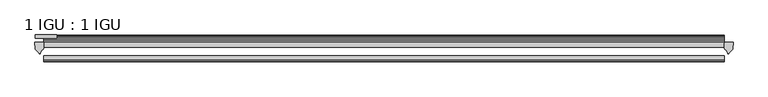
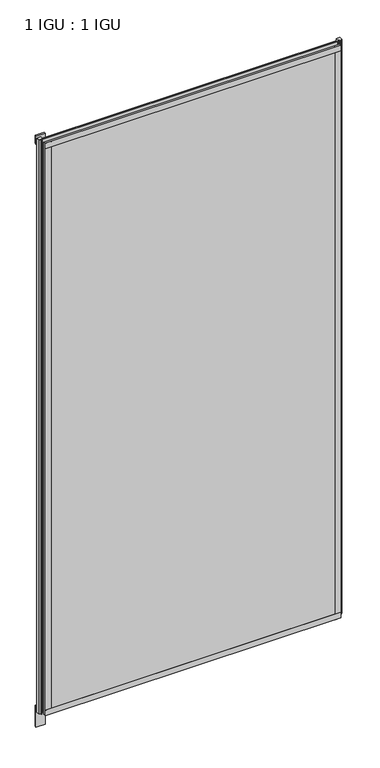
"""IFC4 building model written with IfcOpenShell, lengths in millimetres: plate geometry, 1 IGU : 1 IGU."""

from ifc_helpers import new_model, si_unit, point, frame, frame_2d, origin, place, context, project, spatial, polyline, circle_curve, trimmed, segment, composite_curve, outline, extrude, source, transform, mapped, element, save


def plate_1_igu_1_igu_eb8287d7(model_context):
    return source(origin(), model_context, "Body", "SweptSolid", [
        extrude(outline(polyline([(397.3691094, -11.6085937), (397.3691094, -18.8576359), (-599.5769219, -18.8576359), (-599.5769219, -11.6085937), (397.3691094, -11.6085937)])), frame((0.0, 0.0, -19.05), z_axis=(0.0, 0.0, 1.0), x_axis=(1.0, 0.0, 0.0)), (0.0, 0.0, 1.0), 2038.3500001),
        extrude(outline(polyline([(-599.5769219, -30.7093937), (397.3691094, -30.7093937), (397.3691094, -37.0085937), (-599.5769219, -37.0085937), (-599.5769219, -30.7093937)])), frame((0.0, 0.0, -19.05), z_axis=(0.0, 0.0, 1.0), x_axis=(1.0, 0.0, 0.0)), (0.0, 0.0, 1.0), 2038.3500001),
        extrude(outline(polyline([(-580.5269219, -5.3578125), (-612.2769219, -5.3578125), (-612.2769219, -0.4960938), (-580.5269219, -0.4960938), (-580.5269219, -5.3578125)])), frame((0.0, 0.0, -76.2), z_axis=(0.0, 0.0, 1.0), x_axis=(1.0, 0.0, 0.0)), (0.0, 0.0, 1.0), 76.2),
        extrude(outline(polyline([(-612.2769219, -5.3578125), (-612.2769219, -0.4960938), (-580.5269219, -0.4960938), (-580.5269219, -5.3578125), (-612.2769219, -5.3578125)])), frame((0.0, 0.0, 2000.2500001), z_axis=(0.0, 0.0, 1.0), x_axis=(1.0, 0.0, 0.0)), (0.0, 0.0, 1.0), 28.575),
        extrude(outline(composite_curve([segment(polyline([(410.4470185, -11.6101465), (410.0691094, -21.3502133), (404.1310561, -27.6095865)]), True, "CONTINUOUS"), segment(trimmed(circle_curve(frame_2d((403.45825, -27.2518492)), 0.762), [point((404.1310561, -27.6095865))], [point((402.7295458, -27.4746364))], False, "CARTESIAN"), True, "CONTINUOUS"), segment(polyline([(402.7295458, -27.4746364), (401.4677113, -23.3488397)]), True, "CONTINUOUS"), segment(trimmed(circle_curve(frame_2d((403.6496684, -16.3834724)), 7.2991286), [point((401.4677113, -23.3488397))], [point((397.369288, -20.1028944))], False, "CARTESIAN"), True, "CONTINUOUS"), segment(polyline([(397.369288, -20.1028944), (397.369288, -12.664425)]), True, "CONTINUOUS"), segment(trimmed(circle_curve(frame_2d((403.6505425, -16.3827796)), 7.2993369), [point((397.369288, -12.664425))], [point((398.1276544, -11.6101465))], False, "CARTESIAN"), True, "CONTINUOUS"), segment(polyline([(398.1276544, -11.6101465), (410.4470185, -11.6101465)]), True, "CONTINUOUS")], self_intersect=False)), frame((0.0, 0.0, -19.05), z_axis=(0.0, 0.0, 1.0), x_axis=(1.0, 0.0, 0.0)), (0.0, 0.0, 1.0), 2045.4874001),
        extrude(outline(composite_curve([segment(polyline([(-599.5769219, -11.610702), (-599.5769219, -20.1014769)]), True, "CONTINUOUS"), segment(trimmed(circle_curve(frame_2d((-605.8581162, -16.3829847)), 7.2993552), [point((-599.5769219, -20.1014769))], [point((-603.6758716, -23.3484994))], False, "CARTESIAN"), True, "CONTINUOUS"), segment(polyline([(-603.6758716, -23.3484994), (-604.9373583, -27.4746364)]), True, "CONTINUOUS"), segment(trimmed(circle_curve(frame_2d((-605.6660625, -27.2518492)), 0.762), [point((-604.9373583, -27.4746364))], [point((-606.3388686, -27.6095865))], False, "CARTESIAN"), True, "CONTINUOUS"), segment(polyline([(-606.3388686, -27.6095865), (-612.2769219, -21.3502133), (-612.654831, -11.610702), (-599.5769219, -11.610702)]), True, "CONTINUOUS")], self_intersect=False)), frame((0.0, 0.0, -19.05), z_axis=(0.0, 0.0, 1.0), x_axis=(1.0, 0.0, 0.0)), (0.0, 0.0, 1.0), 2045.4874001),
        extrude(outline(polyline([(-11.6085937, -15.24), (-11.6085937, 2.8161565), (-0.5298609, 1.2591422), (-0.5298609, -0.6645794), (-5.258589, 0.0), (-5.258589, -4.826), (-1.575589, -4.826), (-1.575589, -7.874), (-5.258589, -7.874), (-5.258589, -13.208), (-3.099589, -13.208), (-3.099589, -15.24), (-11.6085937, -15.24)])), frame((-599.5769219, 0.0, 0.0), z_axis=(1.0, 0.0, 0.0), x_axis=(0.0, 1.0, 0.0)), (0.0, 0.0, 1.0), 996.9460312),
        extrude(outline(polyline([(-599.5769219, -39.2945937), (-599.5769219, -37.0085937), (397.3691094, -37.0085937), (397.3691094, -39.2945937), (-599.5769219, -39.2945937)])), frame((0.0, 0.0, -19.05), z_axis=(0.0, 0.0, 1.0), x_axis=(1.0, 0.0, 0.0)), (0.0, 0.0, 1.0), 19.05),
        extrude(outline(composite_curve([segment(trimmed(circle_curve(frame_2d((-6.5285937, 2011.721876)), 1.27), [point((-7.4547667, 2012.590843))], [point((-5.2585937, 2011.721876))], False, "CARTESIAN"), True, "CONTINUOUS"), segment(polyline([(-5.2585937, 2011.721876), (-5.2585937, 2008.5050001), (-3.3544944, 2005.8297863), (-5.2585937, 2005.484551), (-5.2585937, 2000.2500001), (-2.385052, 2000.2500001)]), True, "CONTINUOUS"), segment(trimmed(circle_curve(frame_2d((-3.2589487, 1999.7317718)), 1.016), [point((-2.385052, 2000.2500001))], [point((-3.236916, 1998.7160107))], False, "CARTESIAN"), True, "CONTINUOUS"), segment(trimmed(circle_curve(frame_2d((-2.5575611, 1967.3961025)), 31.3272753), [point((-3.236916, 1998.7160107))], [point((-11.6085937, 1997.3873843))], True, "CARTESIAN"), True, "CONTINUOUS"), segment(polyline([(-11.6085937, 1997.3873843), (-11.6085937, 2008.1635609), (-7.4547667, 2012.590843)]), True, "CONTINUOUS")], self_intersect=False)), frame((-599.5769219, 0.0, 0.0), z_axis=(1.0, 0.0, 0.0), x_axis=(0.0, 1.0, 0.0)), (0.0, 0.0, 1.0), 996.9460312),
        extrude(outline(polyline([(-599.5769219, -39.2945937), (-599.5769219, -37.0085937), (397.3691094, -37.0085937), (397.3691094, -39.2945937), (-599.5769219, -39.2945937)])), frame((0.0, 0.0, 2000.2500001), z_axis=(0.0, 0.0, 1.0), x_axis=(1.0, 0.0, 0.0)), (0.0, 0.0, 1.0), 19.05),
        extrude(outline(polyline([(378.3191094, -37.0085937), (397.3691094, -37.0085937), (397.3691094, -39.2945938), (378.3191094, -39.2945938), (378.3191094, -37.0085937)])), frame((0.0, 0.0, -19.05), z_axis=(0.0, 0.0, 1.0), x_axis=(1.0, 0.0, 0.0)), (0.0, 0.0, 1.0), 2038.3500001),
        extrude(outline(polyline([(-599.5769219, -39.2945937), (-599.5769219, -37.0085937), (-580.5269219, -37.0085937), (-580.5269219, -39.2945937), (-599.5769219, -39.2945937)])), frame((0.0, 0.0, -19.05), z_axis=(0.0, 0.0, 1.0), x_axis=(1.0, 0.0, 0.0)), (0.0, 0.0, 1.0), 2038.3500001),
    ])


if __name__ == "__main__":
    model = new_model("IFC4")
    model_context = context("Model", 3, world=origin())
    ifc_project = project(units=[si_unit("LENGTHUNIT", "METRE", prefix="MILLI")], contexts=[model_context])
    site = spatial("IfcSite", under=ifc_project)
    building = spatial("IfcBuilding", under=site)
    placement = place(None, origin())
    plate_1_igu_1_igu_shape = plate_1_igu_1_igu_eb8287d7(model_context)
    element("IfcPlate", 1, ObjectType="1 IGU : 1 IGU", at=placement, inside=building, context=model_context, shape_type="MappedRepresentation", body=[
        mapped(plate_1_igu_1_igu_shape, transform((0.0, 0.0, 0.0), x_axis=(1.0, 0.0, 0.0), y_axis=(0.0, 1.0, 0.0), z_axis=(0.0, 0.0, 1.0))),
    ])
    save(model, "model.ifc")
